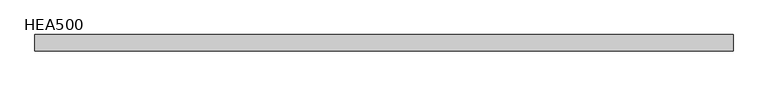
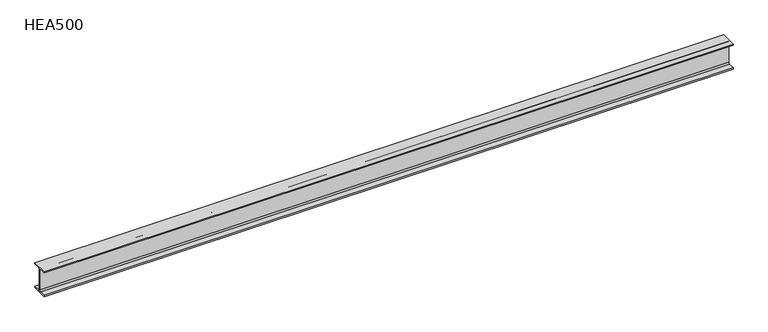
"""IFC4 building model written with IfcOpenShell, lengths in millimetres: beam geometry, HEA500."""

import ifcopenshell
import ifcopenshell.guid

model = None  # the IFC model being written
_history = None  # IfcOwnerHistory: only IFC2X3 demands one
_inside = {}  # id of a spatial element -> (the spatial element, [elements in it])
_under = {}  # id of a project, library or spatial element -> (it, [spatial elements below it])
_declared = {}  # id of a project -> (the project, [libraries it declares])
_typed = {}  # id of a type object -> (the type object, [elements of that type])
_made_of = {}  # id of a material, layer set ... -> (it, [elements and type objects made of it])


def new_model(schema):
    """Start an empty IFC model of exactly this schema.

    Asked for "IFC4X3", IfcOpenShell would pick the latest addendum, in which some entities
    have other attributes; the version numbers below select the first issue.
    IFC2X3 requires an IfcOwnerHistory on every rooted entity: one is made here for all.
    """
    global model, _history
    if schema == "IFC4X3":
        model = ifcopenshell.file(schema_version=(4, 3, 0, 0))
    else:
        model = ifcopenshell.file(schema=schema)
    _inside.clear()
    _under.clear()
    _declared.clear()
    _typed.clear()
    _made_of.clear()
    _history = None
    if model.schema == "IFC2X3":
        org = make("IfcOrganization", Name="unknown")
        user = make(
            "IfcPersonAndOrganization",
            ThePerson=make("IfcPerson", FamilyName="unknown"),
            TheOrganization=org,
        )
        app = make(
            "IfcApplication",
            ApplicationDeveloper=org,
            Version="unknown",
            ApplicationFullName="unknown",
            ApplicationIdentifier="unknown",
        )
        _history = make(
            "IfcOwnerHistory",
            OwningUser=user,
            OwningApplication=app,
            ChangeAction="ADDED",
            CreationDate=0,
        )
    return model


def make(cls, **values):
    """One entity of the class cls with the attributes given. An attribute that is None is left unset."""
    return model.create_entity(
        cls, **{name: value for name, value in values.items() if value is not None}
    )


def rooted(cls, **values):
    """An entity with a GlobalId (a new one), such as an element, a storey or a relation."""
    return make(cls, GlobalId=ifcopenshell.guid.new(), OwnerHistory=_history, **values)


def si_unit(unit_type, name, prefix=None):
    """IfcSIUnit, for example si_unit("LENGTHUNIT", "METRE", prefix="MILLI")."""
    return make("IfcSIUnit", UnitType=unit_type, Prefix=prefix, Name=name)


def assignment(units):
    """IfcUnitAssignment: the units of a project."""
    return None if units is None else make("IfcUnitAssignment", Units=units)


def point(xyz):
    """IfcCartesianPoint."""
    return None if xyz is None else make("IfcCartesianPoint", Coordinates=xyz)


def direction(xyz):
    """IfcDirection."""
    return None if xyz is None else make("IfcDirection", DirectionRatios=xyz)


def frame(location, z_axis=None, x_axis=None):
    """IfcAxis2Placement3D, a coordinate frame: its origin and axes. An axis left out is left unset."""
    return make(
        "IfcAxis2Placement3D",
        Location=point(location),
        Axis=direction(z_axis),
        RefDirection=direction(x_axis),
    )


def frame_2d(location, x_axis=None):
    """IfcAxis2Placement2D, a coordinate frame in the plane: its origin and x axis."""
    return make(
        "IfcAxis2Placement2D", Location=point(location), RefDirection=direction(x_axis)
    )


def origin():
    """The frame at (0, 0, 0) with its axes left unset."""
    return frame((0.0, 0.0, 0.0))


def place(relative_to, where):
    """IfcLocalPlacement: puts the frame where relative to a parent placement (None: the world)."""
    return make(
        "IfcLocalPlacement", PlacementRelTo=relative_to, RelativePlacement=where
    )


def context(
    kind, dimensions, precision=None, world=None, true_north=None, identifier=None
):
    """IfcGeometricRepresentationContext, for example the 3D "Model" context."""
    return make(
        "IfcGeometricRepresentationContext",
        ContextIdentifier=identifier,
        ContextType=kind,
        CoordinateSpaceDimension=dimensions,
        Precision=precision,
        WorldCoordinateSystem=world,
        TrueNorth=true_north,
    )


def project(units=None, contexts=None):
    """IfcProject with its units and contexts."""
    return rooted(
        "IfcProject",
        Name="project",
        RepresentationContexts=contexts,
        UnitsInContext=assignment(units),
    )


def spatial(cls, under=None, at=None, **own):
    """A site, building, storey or space (cls), placed at a placement, below another one or the project."""
    s = rooted(cls, ObjectPlacement=at, **own)
    if under is not None:
        _under.setdefault(under.id(), (under, []))[1].append(s)
    return s


def polyline(points):
    """IfcPolyline through the points."""
    return make("IfcPolyline", Points=[point(p) for p in points])


def circle_curve(where, radius):
    """IfcCircle in the frame where."""
    return make("IfcCircle", Position=where, Radius=radius)


def trimmed(basis, trim1, trim2, sense, master):
    """IfcTrimmedCurve: the piece of a basis curve between two trims."""
    return make(
        "IfcTrimmedCurve",
        BasisCurve=basis,
        Trim1=trim1,
        Trim2=trim2,
        SenseAgreement=sense,
        MasterRepresentation=master,
    )


def segment(curve, same_sense, transition):
    """IfcCompositeCurveSegment."""
    return make(
        "IfcCompositeCurveSegment",
        Transition=transition,
        SameSense=same_sense,
        ParentCurve=curve,
    )


def composite_curve(segments, self_intersect=None):
    """IfcCompositeCurve: segments joined end to end."""
    return make("IfcCompositeCurve", Segments=segments, SelfIntersect=self_intersect)


def outline(outer, holes=None, kind="AREA"):
    """IfcArbitraryClosedProfileDef: a profile drawn as a closed curve; with holes, ...WithVoids."""
    if holes is None:
        return make("IfcArbitraryClosedProfileDef", ProfileType=kind, OuterCurve=outer)
    return make(
        "IfcArbitraryProfileDefWithVoids",
        ProfileType=kind,
        OuterCurve=outer,
        InnerCurves=holes,
    )


def extrude(swept, where, along, depth):
    """IfcExtrudedAreaSolid: the profile swept, set in the frame where, extruded along a direction by depth."""
    return make(
        "IfcExtrudedAreaSolid",
        SweptArea=swept,
        Position=where,
        ExtrudedDirection=direction(along),
        Depth=depth,
    )


def shape(context_of_items, identifier, shape_type, items):
    """IfcShapeRepresentation: the items that make up one representation, for example the "Body"."""
    return make(
        "IfcShapeRepresentation",
        ContextOfItems=context_of_items,
        RepresentationIdentifier=identifier,
        RepresentationType=shape_type,
        Items=items,
    )


def source(mapping_origin, context_of_items, identifier, shape_type, items):
    """IfcRepresentationMap: a shape defined once, which mapped items show again and again."""
    return make(
        "IfcRepresentationMap",
        MappingOrigin=mapping_origin,
        MappedRepresentation=shape(context_of_items, identifier, shape_type, items),
    )


def transform(
    local_origin,
    x_axis=None,
    y_axis=None,
    z_axis=None,
    scale=None,
    scale2=None,
    scale3=None,
    uniform=True,
):
    """IfcCartesianTransformationOperator3D, or its non-uniform kind. x_axis, y_axis, z_axis: its Axis1, 2, 3."""
    if uniform:
        return make(
            "IfcCartesianTransformationOperator3D",
            Axis1=direction(x_axis),
            Axis2=direction(y_axis),
            LocalOrigin=point(local_origin),
            Scale=scale,
            Axis3=direction(z_axis),
        )
    return make(
        "IfcCartesianTransformationOperator3DnonUniform",
        Axis1=direction(x_axis),
        Axis2=direction(y_axis),
        LocalOrigin=point(local_origin),
        Scale=scale,
        Axis3=direction(z_axis),
        Scale2=scale2,
        Scale3=scale3,
    )


def mapped(mapping_source, mapping_target):
    """IfcMappedItem: shows the shape of a source again, moved by a transform."""
    return make(
        "IfcMappedItem", MappingSource=mapping_source, MappingTarget=mapping_target
    )


def made_of(thing, what):
    """Note that an element or type object is made of a material, layer set ...; save() writes the relation."""
    if what is not None:
        _made_of.setdefault(what.id(), (what, []))[1].append(thing)
    return thing


def element(
    cls,
    number,
    at=None,
    inside=None,
    cuts=None,
    type_object=None,
    material=None,
    context=None,
    identifier="Body",
    shape_type=None,
    held_by="IfcProductDefinitionShape",
    body=None,
    shapes=None,
    **own,
):
    """One element of the class cls, such as IfcWall. Its Tag is "e" and its number.

    at: its placement. inside: the storey or other place that contains it. cuts: it is an
    opening in that element (IfcRelVoidsElement). A single representation is given by context,
    identifier, shape_type and body (its items); several are given by shapes. held_by: the class
    of the entity that holds the representations. save() writes the other relations.
    """
    e = rooted(cls, Tag="e%d" % number, ObjectPlacement=at, **own)
    if body is not None:
        shapes = [shape(context, identifier, shape_type, body)]
    if shapes is not None:
        e.Representation = make(held_by, Representations=shapes)
    if inside is not None:
        _inside.setdefault(inside.id(), (inside, []))[1].append(e)
    if cuts is not None:
        rooted(
            "IfcRelVoidsElement", RelatingBuildingElement=cuts, RelatedOpeningElement=e
        )
    if type_object is not None:
        _typed.setdefault(type_object.id(), (type_object, []))[1].append(e)
    return made_of(e, material)


def aggregate(whole, parts):
    """IfcRelAggregates: a whole, such as a stair, and the parts it consists of."""
    return rooted("IfcRelAggregates", RelatingObject=whole, RelatedObjects=parts)


def save(model, path):
    """Write the relations noted so far, then the file.

    IfcRelAggregates (storeys below a building ...), IfcRelContainedInSpatialStructure (elements
    in a storey), IfcRelDefinesByType, IfcRelAssociatesMaterial and IfcRelDeclares: one each for
    every whole, place, type object, material and project.
    """
    for whole, parts in _under.values():
        aggregate(whole, parts)
    for where, things in _inside.values():
        rooted(
            "IfcRelContainedInSpatialStructure",
            RelatedElements=things,
            RelatingStructure=where,
        )
    for kind, things in _typed.values():
        rooted("IfcRelDefinesByType", RelatedObjects=things, RelatingType=kind)
    for what, things in _made_of.values():
        rooted("IfcRelAssociatesMaterial", RelatedObjects=things, RelatingMaterial=what)
    for by, libraries in _declared.values():
        rooted("IfcRelDeclares", RelatingContext=by, RelatedDefinitions=libraries)
    model.write(path)


def hea500_92b395b2(model_context):
    return source(origin(), model_context, "Body", "SweptSolid", [
        extrude(outline(composite_curve([segment(polyline([(150.0, -222.0), (150.0, -245.0), (-150.0, -245.0), (-150.0, -222.0), (-33.0, -222.0)]), True, "CONTINUOUS"), segment(trimmed(circle_curve(frame_2d((-33.0, -195.0)), 27.0), [point((-33.0, -222.0))], [point((-6.0, -195.0))], True, "CARTESIAN"), True, "CONTINUOUS"), segment(polyline([(-6.0, -195.0), (-6.0, 195.0)]), True, "CONTINUOUS"), segment(trimmed(circle_curve(frame_2d((-33.0, 195.0)), 27.0), [point((-6.0, 195.0))], [point((-33.0, 222.0))], True, "CARTESIAN"), True, "CONTINUOUS"), segment(polyline([(-33.0, 222.0), (-150.0, 222.0), (-150.0, 245.0), (150.0, 245.0), (150.0, 222.0), (33.0, 222.0)]), True, "CONTINUOUS"), segment(trimmed(circle_curve(frame_2d((33.0, 195.0)), 27.0), [point((33.0, 222.0))], [point((6.0, 195.0))], True, "CARTESIAN"), True, "CONTINUOUS"), segment(polyline([(6.0, 195.0), (6.0, -195.0)]), True, "CONTINUOUS"), segment(trimmed(circle_curve(frame_2d((33.0, -195.0)), 27.0), [point((6.0, -195.0))], [point((33.0, -222.0))], True, "CARTESIAN"), True, "CONTINUOUS"), segment(polyline([(33.0, -222.0), (150.0, -222.0)]), True, "CONTINUOUS")], self_intersect=False)), frame((-6414.4, 0.0, 0.0), z_axis=(1.0, 0.0, 0.0), x_axis=(0.0, 1.0, 0.0)), (0.0, 0.0, 1.0), 12828.8),
    ])


if __name__ == "__main__":
    model = new_model("IFC4")
    model_context = context("Model", 3, world=origin())
    ifc_project = project(units=[si_unit("LENGTHUNIT", "METRE", prefix="MILLI")], contexts=[model_context])
    site = spatial("IfcSite", under=ifc_project)
    building = spatial("IfcBuilding", under=site)
    placement = place(None, origin())
    hea500_shape = hea500_92b395b2(model_context)
    element("IfcBeam", 1, ObjectType="HEA500", at=placement, inside=building, context=model_context, shape_type="MappedRepresentation", body=[
        mapped(hea500_shape, transform((0.0, 0.0, 0.0), x_axis=(1.0, 0.0, 0.0), y_axis=(0.0, 1.0, 0.0), z_axis=(0.0, 0.0, 1.0))),
    ])
    save(model, "model.ifc")
